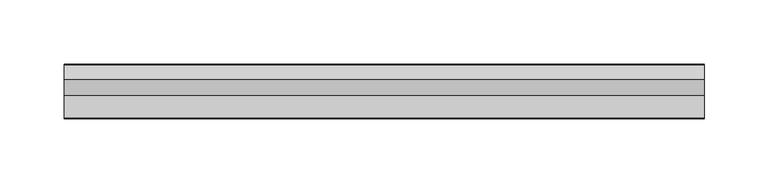
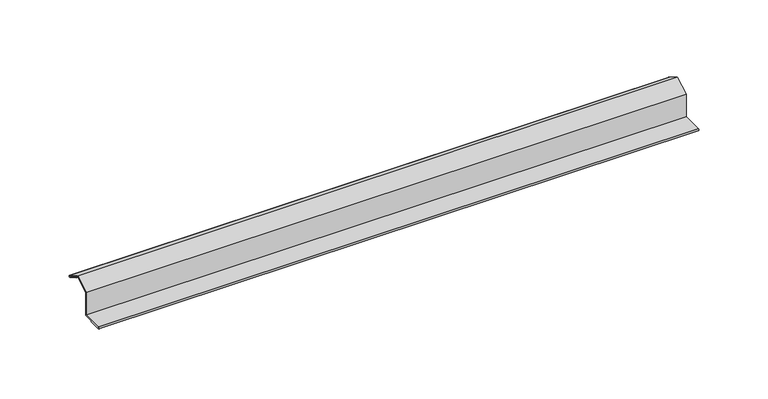
"""IFC4 building model written with IfcOpenShell, lengths in millimetres: proxy geometry."""

from ifc_helpers import new_model, si_unit, point, frame, frame_2d, origin, place, context, project, spatial, polyline, circle_curve, trimmed, segment, composite_curve, outline, extrude, source, transform, mapped, element, save


def generic_models_32be0b3f(model_context):
    return source(origin(), model_context, "Body", "SweptSolid", [
        extrude(outline(composite_curve([segment(trimmed(circle_curve(frame_2d((-41.911208, -0.125)), 0.825), [point((-41.911208, -0.95))], [point((-41.911208, 0.7))], False, "CARTESIAN"), True, "CONTINUOUS"), segment(polyline([(-41.911208, 0.7), (-24.411208, 0.7), (-24.411208, 20.4886751), (-11.9208269, 27.7), (-0.4124967, 21.0556624)]), True, "CONTINUOUS"), segment(trimmed(circle_curve(frame_2d((-0.8249933, 20.3411972)), 0.8249933), [point((-0.4124967, 21.0556624))], [point((-1.23749, 19.626732))], False, "CARTESIAN"), True, "CONTINUOUS"), segment(polyline([(-1.23749, 19.626732), (-9.8977441, 24.626732), (-9.4977441, 25.3195524), (-0.8394884, 20.3207061), (-11.9221637, 26.8909378), (-23.711208, 20.0845299), (-23.711208, 0.0), (-41.911208, 0.0), (-31.911208, -0.15), (-31.911208, -0.95), (-41.911208, -0.95)]), True, "CONTINUOUS")], self_intersect=False)), frame((0.0, 0.0, 0.0), z_axis=(1.0, 0.0, 0.0), x_axis=(0.0, 1.0, 0.0)), (0.0, 0.0, 1.0), 500.0),
    ])


if __name__ == "__main__":
    model = new_model("IFC4")
    model_context = context("Model", 3, world=origin())
    ifc_project = project(units=[si_unit("LENGTHUNIT", "METRE", prefix="MILLI")], contexts=[model_context])
    site = spatial("IfcSite", under=ifc_project)
    building = spatial("IfcBuilding", under=site)
    placement = place(None, origin())
    generic_models_shape = generic_models_32be0b3f(model_context)
    element("IfcBuildingElementProxy", 1, Name="Generic Models", at=placement, inside=building, context=model_context, shape_type="MappedRepresentation", body=[
        mapped(generic_models_shape, transform((0.0, 0.0, 0.0), x_axis=(1.0, 0.0, 0.0), y_axis=(0.0, 1.0, 0.0), z_axis=(0.0, 0.0, 1.0))),
    ])
    save(model, "model.ifc")
